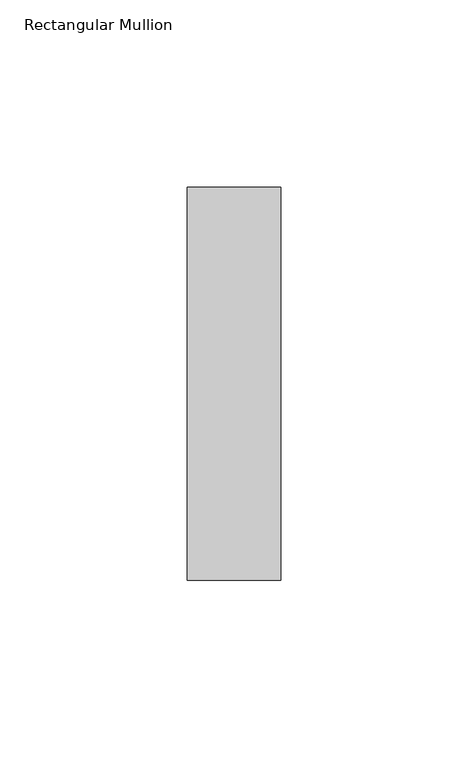
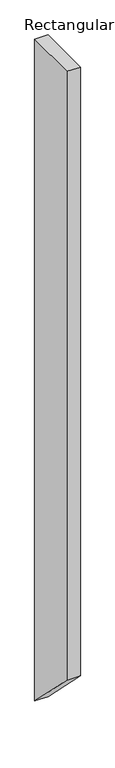
"""IFC4 building model written with IfcOpenShell, lengths in millimetres: member geometry, Rectangular Mullion."""

from ifc_helpers import new_model, si_unit, frame, origin, place, context, project, spatial, polyline, outline, extrude, source, transform, mapped, element, save


def rectangular_mullion_834b7380(model_context):
    return source(origin(), model_context, "Body", "SweptSolid", [
        extrude(outline(polyline([(-52.5, 0.0), (52.5, 0.0), (52.5, -1312.5000003), (-52.5, -1207.5000003), (-52.5, 0.0)])), frame((-25.0, 0.0, 0.0), z_axis=(1.0, 0.0, 0.0), x_axis=(0.0, 1.0, 0.0)), (0.0, 0.0, 1.0), 25.0),
    ])


if __name__ == "__main__":
    model = new_model("IFC4")
    model_context = context("Model", 3, world=origin())
    ifc_project = project(units=[si_unit("LENGTHUNIT", "METRE", prefix="MILLI")], contexts=[model_context])
    site = spatial("IfcSite", under=ifc_project)
    building = spatial("IfcBuilding", under=site)
    placement = place(None, origin())
    rectangular_mullion_shape = rectangular_mullion_834b7380(model_context)
    element("IfcMember", 1, ObjectType="Rectangular Mullion", at=placement, inside=building, context=model_context, shape_type="MappedRepresentation", body=[
        mapped(rectangular_mullion_shape, transform((0.0, 0.0, 0.0), x_axis=(1.0, 0.0, 0.0), y_axis=(0.0, 1.0, 0.0), z_axis=(0.0, 0.0, 1.0))),
    ])
    save(model, "model.ifc")
